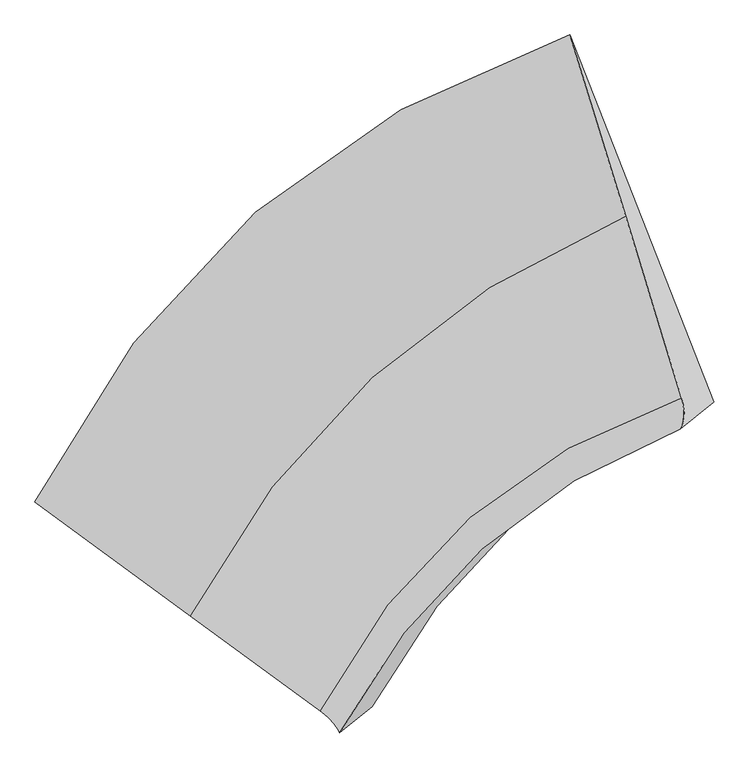
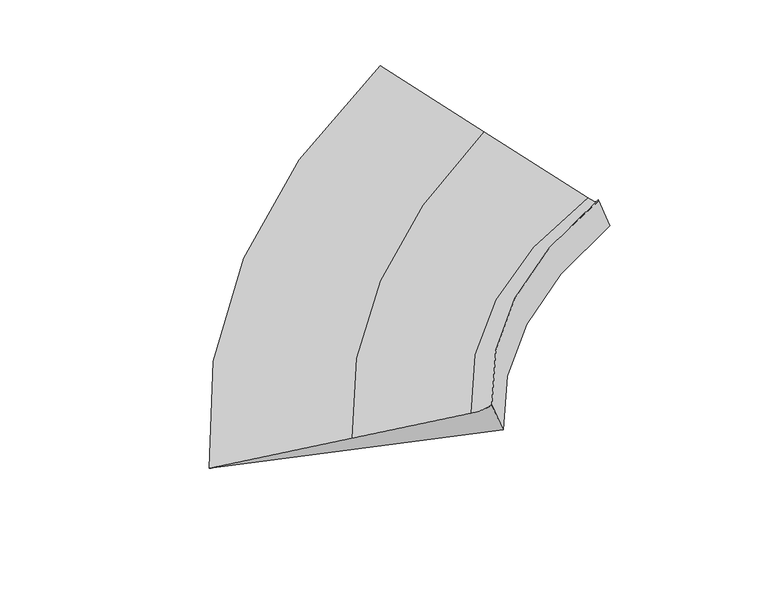
"""IFC4 building model written with IfcOpenShell, lengths in millimetres: proxy geometry."""

from ifc_helpers import new_model, si_unit, frame, origin, place, context, project, spatial, source, transform, mapped, element, save
from ifc_brep_helpers import plane_surface, spline_curve, spline_surface, advanced_brep


def generic_models_c680a04c(model_context):
    return source(origin(), model_context, "Body", "AdvancedBrep", [
        advanced_brep(
        [(-3791.7255821, -5534.6626599, 419.0336588), (-2617.9653629, -6394.2175143, 900.6691526), (672.0118802, -3375.8691052, 1711.342886), (250.7734308, -2005.4545665, 1845.9614624), (-1637.5904435, -7112.1546255, 1302.9517916), (1093.7202858, -4747.8125519, 1576.5741219), (-1488.3997954, -7276.3851038, 1454.6211207), (1083.2918515, -4981.6276983, 1698.1255878), (-1243.6786513, -7080.9001043, 938.5667125), (1336.0596473, -4779.7149759, 1165.1028457)],
        [
            (0, 1),
            (1, 2, spline_curve(3, [(-2617.9653629, -6394.2175143, 900.6691526), (-2252.878863971, -5697.601531983, 1018.476907263), (-1795.665212797, -5097.550335316, 1145.042292913), (-698.498666834, -4091.966107949, 1415.315110253), (-59.05323676, -3685.901168363, 1558.974302615), (672.0118802, -3375.8691052, 1711.342886)], [4, 2, 4], [0.0, 8.42681070595024, 16.830380607025674])),
            (2, 3),
            (3, 0, spline_curve(3, [(250.7734308, -2005.4545665, 1845.9614624), (-658.816764345, -2311.357117374, 1591.402492193), (-1450.185070869, -2757.808597994, 1345.364775619), (-2798.33955181, -3933.432820395, 869.674976704), (-3354.470916191, -4663.384037252, 640.070092078), (-3791.7255821, -5534.6626599, 419.0336588)], [4, 2, 4], [0.0, 8.403569901075434, 16.830380607025674])),
            (1, 4),
            (4, 5, spline_curve(3, [(-1637.5904435, -7112.1546255, 1302.9517916), (-1337.995913223, -6532.611350329, 1339.550177362), (-960.167235498, -6045.66682494, 1380.688978899), (-49.299387425, -5258.062863243, 1471.921432457), (483.308844347, -4956.89336427, 1521.99007414), (1093.7202858, -4747.8125519, 1576.5741219)], [4, 2, 4], [0.0, 6.82908760881337, 13.639340868769548])),
            (5, 2),
            (4, 6, spline_curve(3, [(-1637.5904435, -7112.1546255, 1302.9517916), (-1625.509899658, -7121.015603518, 1307.932378917), (-1614.061384871, -7129.920404469, 1313.487213977), (-1592.428413529, -7147.817652131, 1325.745379623), (-1582.243956905, -7156.810098856, 1332.448710165), (-1563.139101895, -7174.882638144, 1347.003866835), (-1554.218703534, -7183.962730743, 1354.855692959), (-1537.641964866, -7202.210561657, 1371.707840641), (-1529.985624568, -7211.37830003, 1380.708162253), (-1515.937002232, -7229.80142257, 1399.857300947), (-1509.544720197, -7239.056806711, 1410.006118041), (-1498.024214203, -7257.655220889, 1431.452247759), (-1492.895990231, -7266.998250898, 1442.749560335), (-1488.3997954, -7276.3851038, 1454.6211207)], [4, 2, 2, 2, 2, 2, 4], [0.0, 0.15941306479740158, 0.31882612959480316, 0.47823919439220475, 0.6376522591896063, 0.7970653239870078, 0.9564783887844094])),
            (6, 7, spline_curve(3, [(-1488.3997954, -7276.3851038, 1454.6211207), (-1201.760004032, -6732.805525073, 1481.334342549), (-843.738102626, -6269.632764973, 1515.020629009), (13.885641439, -5505.156535892, 1596.227194537), (513.094289035, -5203.410160685, 1643.709063703), (1083.2918515, -4981.6276983, 1698.1255878)], [4, 2, 4], [0.0, 5.927262522025972, 11.838177892499235])),
            (7, 5, spline_curve(3, [(1083.2918515, -4981.6276983, 1698.1255878), (1089.218273014, -4972.801969465, 1683.821646316), (1094.253517171, -4963.282240341, 1670.776218563), (1102.541650829, -4942.854781659, 1647.202390437), (1105.794540352, -4931.947052052, 1636.673990037), (1110.517964648, -4908.743592348, 1618.134216763), (1111.988499437, -4896.447862258, 1610.122843816), (1113.147214363, -4870.468401542, 1596.617125384), (1112.835394418, -4856.784670963, 1591.12277989), (1110.429399982, -4828.029209237, 1582.65111631), (1108.335225503, -4812.957478069, 1579.67379827), (1102.364521697, -4781.426015331, 1576.23618953), (1098.487992384, -4764.966283775, 1575.775898844), (1093.7202858, -4747.8125519, 1576.5741219)], [4, 2, 2, 2, 2, 2, 4], [0.0, 0.15941306479740158, 0.31882612959480305, 0.47823919439220464, 0.6376522591896062, 0.7970653239870078, 0.9564783887844094])),
            (6, 8),
            (8, 9, spline_curve(3, [(-1243.6786513, -7080.9001043, 938.5667125), (-951.902214581, -6533.217336564, 954.448060779), (-590.643129542, -6067.458691193, 981.307953599), (269.652368972, -5300.848245378, 1056.880471113), (768.306050032, -4999.545181303, 1105.532622811), (1336.0596473, -4779.7149759, 1165.1028457)], [4, 2, 4], [0.0, 5.7987179125293435, 11.581443194366987])),
            (9, 7),
            (8, 0),
            (3, 9),
        ],
        [
            spline_surface(3, 3, [[(-3791.7255821, -5534.6626599, 419.0336588), (-3354.470916297, -4663.384037345, 640.070092176), (-2798.339551869, -3933.43282028, 869.674976712), (-1450.18507081, -2757.808598109, 1345.364775611), (-658.816764281, -2311.35711734, 1591.402492301), (250.7734308, -2005.4545665, 1845.9614624)], [(-3400.472175705, -5821.180944688, 579.578823415), (-2987.273565508, -5008.12320224, 766.205697214), (-2464.114772222, -4321.471991929, 961.464082097), (-1199.622936103, -3202.527768054, 1368.681553883), (-458.895588412, -2769.538467672, 1580.59309576), (391.186247257, -2462.259412708, 1801.088603614)], [(-3009.218769295, -6107.699229512, 740.123987985), (-2620.076214704, -5352.86236717, 892.341302207), (-2129.889992583, -4709.511163624, 1053.253187417), (-949.060801403, -3647.246938046, 1391.998332091), (-258.974412512, -3227.719818079, 1569.783699175), (531.599063743, -2919.064258992, 1756.215744786)], [(-2617.9653629, -6394.2175143, 900.6691526), (-2252.878863916, -5697.601532065, 1018.476907246), (-1795.665212936, -5097.550335273, 1145.042292802), (-698.498666696, -4091.966107991, 1415.315110363), (-59.053236642, -3685.90116841, 1558.974302633), (672.0118802, -3375.8691052, 1711.342886)]], [4, 4], [4, 2, 4], [0.0, 5.039822592263984], [0.0, 8.42681070595024, 16.830380607025674]),
            spline_surface(3, 3, [[(-2617.9653629, -6394.2175143, 900.6691526), (-2252.878863916, -5697.601532065, 1018.476907246), (-1795.665212936, -5097.550335273, 1145.042292802), (-698.498666696, -4091.966107991, 1415.315110363), (-59.053236642, -3685.90116841, 1558.974302633), (672.0118802, -3375.8691052, 1711.342886)], [(-2291.17372309, -6633.529884725, 1034.763365585), (-1947.917880357, -5975.938138169, 1125.501330594), (-1517.165887102, -5413.589165143, 1223.59118816), (-482.09890696, -4480.665026409, 1434.183884359), (121.734123729, -4109.565233665, 1546.646226506), (812.581348738, -3833.183587436, 1666.419964642)], [(-1964.38208331, -6872.842255075, 1168.857578615), (-1642.956896828, -6254.274744196, 1232.525753988), (-1238.666561269, -5729.627995041, 1302.140083583), (-265.699147224, -4869.363944855, 1453.05265842), (302.521484086, -4533.229298912, 1534.318150352), (953.150817262, -4290.498069664, 1621.497043258)], [(-1637.5904435, -7112.1546255, 1302.9517916), (-1337.995913269, -6532.611350299, 1339.550177336), (-960.167235435, -6045.666824911, 1380.68897894), (-49.299387487, -5258.062863272, 1471.921432416), (483.308844457, -4956.893364166, 1521.990074225), (1093.7202858, -4747.8125519, 1576.5741219)]], [4, 4], [4, 2, 4], [0.0, 4.264746997274844], [0.0, 6.82908760881337, 13.639340868769548]),
            spline_surface(3, 3, [[(-1637.5904435, -7112.1546255, 1302.9517916), (-1337.995913269, -6532.611350299, 1339.550177336), (-960.167235435, -6045.666824911, 1380.68897894), (-49.299387487, -5258.062863272, 1471.921432416), (483.308844457, -4956.893364166, 1521.990074225), (1093.7202858, -4747.8125519, 1576.5741219)], [(-1625.50989966, -7121.015603516, 1307.932378916), (-1326.20617729, -6543.565431023, 1343.529905424), (-949.133789898, -6058.358984516, 1383.686070022), (-40.706118392, -5273.517318582, 1472.992353748), (490.220791575, -4973.373991881, 1522.117362439), (1098.487992385, -4764.966283777, 1575.775898844)], [(-1614.061384871, -7129.92040447, 1313.487213976), (-1315.119953671, -6554.547481422, 1348.159161832), (-938.861204383, -6071.009542848, 1387.427457457), (-32.960014208, -5288.683935672, 1475.035767429), (496.256538728, -4989.390411171, 1523.350463663), (1102.364521698, -4781.42601533, 1576.236189532)], [(-1592.428413529, -7147.81765213, 1325.745379624), (-1294.354531284, -6576.567521449, 1358.716731328), (-919.837753562, -6096.227457144, 1396.398825201), (-19.162135826, -5318.441493589, 1481.067579656), (506.575632829, -5020.494833179, 1528.028292004), (1108.335225502, -4812.95747807, 1579.673798268)], [(-1582.243956903, -7156.810098856, 1332.448710167), (-1284.675332445, -6587.605511097, 1364.645044371), (-911.086888195, -6108.794813106, 1401.628805532), (-13.110361568, -5333.032434414, 1485.055978224), (510.858979764, -5035.582835879, 1531.473019115), (1110.429399981, -4828.029209237, 1582.651116309)], [(-1563.139101897, -7174.882638144, 1347.003866833), (-1266.723959629, -6609.737429704, 1377.800727188), (-895.106877627, -6133.846322487, 1413.577358856), (-2.701142996, -5361.638639629, 1494.977760013), (517.673273729, -5064.830424466, 1540.574099369), (1112.835394419, -4856.784670963, 1591.122779891)], [(-1554.218703535, -7183.962730742, 1354.855692959), (-1258.45178567, -6620.8313587, 1385.028096965), (-887.87773241, -6146.330475878, 1420.295931884), (1.656301335, -5375.653903991, 1500.911143269), (520.204220744, -5078.990010375, 1546.230452466), (1113.147214364, -4870.468401544, 1596.617125386)], [(-1537.641964865, -7202.210561658, 1371.707840641), (-1243.314462424, -6643.075155887, 1400.781893102), (-874.941162095, -6171.215580344, 1435.221670788), (8.676860099, -5403.108756503, 1514.722894621), (523.513714573, -5106.380765541, 1559.754784633), (1111.988499436, -4896.447862256, 1610.122843814)], [(-1529.985624567, -7211.378300028, 1380.70816225), (-1236.449313146, -6654.225024131, 1409.308319514), (-869.233737026, -6183.616531365, 1443.428836612), (11.339974503, -5416.5483446, 1522.601262664), (524.292261469, -5119.61193476, 1567.622763716), (1110.517964647, -4908.743592351, 1618.134216762)], [(-1515.937002233, -7229.801422572, 1399.85730095), (-1224.12603947, -6676.580699899, 1427.660228972), (-859.340606964, -6208.335230916, 1461.331761096), (14.971873458, -5442.851844409, 1540.302983579), (524.096955163, -5145.145856505, 1585.570347796), (1105.794540353, -4931.947052049, 1636.673990038)], [(-1509.544720198, -7239.056806714, 1410.006118042), (-1218.667915072, -6687.786507391, 1437.485712018), (-855.154901945, -6220.652979467, 1471.027519716), (15.940658035, -5455.715756143, 1550.12633641), (523.12310194, -5157.448609035, 1595.649952866), (1102.54165083, -4942.854781658, 1647.202390439)], [(-1498.024214202, -7257.655220886, 1431.452247758), (-1209.158690966, -6710.254061739, 1458.435734796), (-848.305212136, -6245.205274103, 1491.90762978), (16.183897182, -5480.867903249, 1571.718026888), (519.422995498, -5181.125697358, 1618.020788859), (1094.25351717, -4963.282240342, 1670.776218561)], [(-1492.89599023, -7266.9982509, 1442.749560333), (-1205.107591248, -6721.515808579, 1469.560274478), (-845.641227365, -6257.439820184, 1503.091981197), (15.458351732, -5493.156138619, 1583.486364506), (516.696742256, -5192.500033197, 1630.312019814), (1089.218273013, -4972.801969464, 1683.821646315)], [(-1488.3997954, -7276.3851038, 1454.6211207), (-1201.76000398, -6732.805525043, 1481.334342527), (-843.738102588, -6269.632765045, 1515.020629019), (13.885641401, -5505.156535821, 1596.227194526), (513.094288967, -5203.410160648, 1643.709063767), (1083.2918515, -4981.6276983, 1698.1255878)]], [4, 2, 2, 2, 2, 2, 4], [4, 2, 4], [0.0, 0.15941306479740158, 0.31882612959480316, 0.47823919439220475, 0.6376522591896063, 0.7970653239870078, 0.9564783887844094], [0.0, 5.927262522025972, 11.838177892499235]),
            spline_surface(3, 3, [[(-1488.3997954, -7276.3851038, 1454.6211207), (-1201.76000398, -6732.805525043, 1481.334342527), (-843.738102588, -6269.632765045, 1515.020629019), (13.885641401, -5505.156535821, 1596.227194526), (513.094288967, -5203.410160648, 1643.709063767), (1083.2918515, -4981.6276983, 1698.1255878)], [(-1406.826080699, -7211.223437316, 1282.602984609), (-1118.474074154, -6666.276128877, 1305.705581918), (-759.373111551, -6202.241407069, 1337.116403833), (99.141217237, -5437.05377234, 1416.444953391), (598.164876003, -5135.455167545, 1464.316916781), (1167.54778343, -4914.323457518, 1520.451340424)], [(-1325.252366001, -7146.061770784, 1110.584848591), (-1035.188144332, -6599.746732663, 1130.076821381), (-675.008120515, -6134.850049131, 1159.212178712), (184.396793072, -5368.951008897, 1236.662712321), (683.235463047, -5067.500174387, 1284.924769823), (1251.80371537, -4847.019216682, 1342.777093076)], [(-1243.6786513, -7080.9001043, 938.5667125), (-951.902214506, -6533.217336496, 954.448060773), (-590.643129479, -6067.458691155, 981.307953527), (269.652368909, -5300.848245416, 1056.880471186), (768.306050082, -4999.545181283, 1105.532622836), (1336.0596473, -4779.7149759, 1165.1028457)]], [4, 4], [4, 2, 4], [0.0, 2.059088932498863], [0.0, 5.7987179125293435, 11.581443194366987]),
            spline_surface(3, 3, [[(-1243.6786513, -7080.9001043, 938.5667125), (-951.902214506, -6533.217336496, 954.448060773), (-590.643129479, -6067.458691155, 981.307953527), (269.652368909, -5300.848245416, 1056.880471186), (768.306050082, -4999.545181283, 1105.532622836), (1336.0596473, -4779.7149759, 1165.1028457)], [(-2093.027628215, -6565.487622822, 765.389027943), (-1752.758448418, -5909.939570101, 849.655404583), (-1326.541936941, -5356.116734214, 944.096961257), (-303.626777663, -4453.168362997, 1153.041905996), (292.598445318, -4103.482493303, 1267.489245991), (974.297575157, -3854.961506101, 1392.055717933)], [(-2942.376605185, -6050.075141378, 592.211343357), (-2553.614682385, -5286.66180374, 744.862748365), (-2062.440744407, -4644.774777221, 906.885968981), (-876.905924239, -3605.488480527, 1249.203340801), (-183.109159517, -3207.41980532, 1429.445869147), (612.535502943, -2930.208036299, 1619.008590167)], [(-3791.7255821, -5534.6626599, 419.0336588), (-3354.470916297, -4663.384037345, 640.070092176), (-2798.339551869, -3933.43282028, 869.674976712), (-1450.18507081, -2757.808598109, 1345.364775611), (-658.816764281, -2311.35711734, 1591.402492301), (250.7734308, -2005.4545665, 1845.9614624)]], [4, 4], [4, 2, 4], [0.0, 10.022866579462022], [0.0, 7.511686022875414, 15.002655117931958]),
            plane_surface(frame((940.9613039, -4128.6524482, 1571.4410044), z_axis=(0.8489493793682847, 0.21346050040288814, 0.4834455150665409), x_axis=(0.29252670095106714, -0.9516767629334478, -0.09348512246983033))),
            plane_surface(frame((-2040.3486181, -6751.0256234, 1028.7933209), z_axis=(-0.3814560105020166, -0.7899214545068249, -0.4801202013680609), x_axis=(0.8422061042993494, -0.511077954917208, 0.17172129127908836))),
        ],
        [
            (0, [[1, 2, 3, 4]]),
            (1, [[5, 6, 7, -2]]),
            (2, [[8, 9, 10, -6]]),
            (3, [[11, 12, 13, -9]]),
            (4, [[14, -4, 15, -12]]),
            (5, [[-3, -7, -10, -13, -15]]),
            (6, [[-14, -11, -8, -5, -1]]),
        ],
    ),
    ])


if __name__ == "__main__":
    model = new_model("IFC4")
    model_context = context("Model", 3, world=origin())
    ifc_project = project(units=[si_unit("LENGTHUNIT", "METRE", prefix="MILLI")], contexts=[model_context])
    site = spatial("IfcSite", under=ifc_project)
    building = spatial("IfcBuilding", under=site)
    placement = place(None, origin())
    generic_models_shape = generic_models_c680a04c(model_context)
    element("IfcBuildingElementProxy", 1, Name="Generic Models", at=placement, inside=building, context=model_context, shape_type="MappedRepresentation", body=[
        mapped(generic_models_shape, transform((0.0, 0.0, 0.0), x_axis=(1.0, 0.0, 0.0), y_axis=(0.0, 1.0, 0.0), z_axis=(0.0, 0.0, 1.0))),
    ])
    save(model, "model.ifc")
